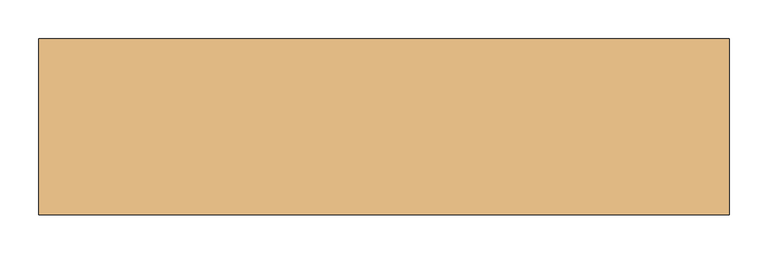
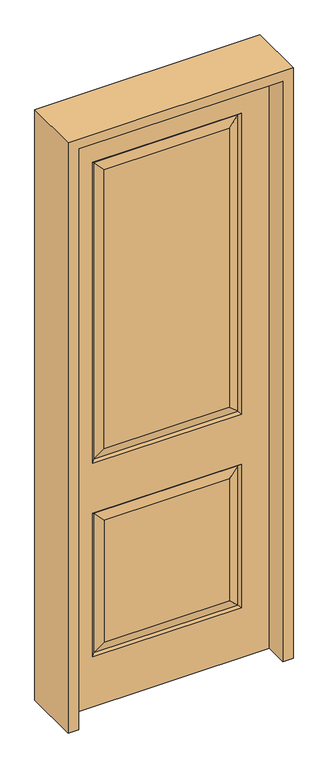
"""IFC4 building model written with IfcOpenShell, lengths in millimetres: door geometry."""

from ifc_helpers import new_model, si_unit, frame, origin, place, context, project, spatial, polyline, outline, extrude, faceted_brep, source, transform, mapped, element, save


def door_38529d44(model_context):
    return source(origin(), model_context, "Body", "SolidModel", [
        faceted_brep([(-286.2947439, -11.6572439, 218.5302561), (-249.2375, -20.6375, 255.5875), (-249.2375, -20.6375, 766.7625), (-286.2947439, -11.6572439, 803.8197439), (286.2947439, 11.6572439, 803.8197439), (-286.2947439, 11.6572439, 803.8197439), (-295.275, 20.6375, 812.8), (295.275, 20.6375, 812.8), (-286.2947439, 11.6572439, 218.5302561), (-295.275, 20.6375, 209.55), (286.2947439, 11.6572439, 218.5302561), (295.275, 20.6375, 209.55), (286.2947439, -11.6572439, 1031.3302561), (-286.2947439, -11.6572439, 1031.3302561), (-295.275, -20.6375, 1022.35), (295.275, -20.6375, 1022.35), (-286.2947439, -11.6572439, 2277.0197439), (-295.275, -20.6375, 2286.0), (295.275, -20.6375, 2286.0), (286.2947439, -11.6572439, 2277.0197439), (249.2375, -20.6375, 1068.3875), (-249.2375, -20.6375, 1068.3875), (-295.275, -20.6375, 812.8), (286.2947439, -11.6572439, 803.8197439), (295.275, -20.6375, 812.8), (406.4, 20.6375, 0.0), (406.4, -20.6375, 0.0), (-406.4, -20.6375, 0.0), (-406.4, 20.6375, 0.0), (406.4, 20.6375, 2438.4), (406.4, -20.6375, 2438.4), (249.2375, -20.6375, 255.5875), (249.2375, -20.6375, 766.7625), (249.2375, -20.6375, 2239.9625), (-249.2375, -20.6375, 2239.9625), (-406.4, -20.6375, 2438.4), (295.275, -20.6375, 209.55), (-295.275, -20.6375, 209.55), (-406.4, 20.6375, 2438.4), (-249.2375, 20.6375, 766.7625), (249.2375, 20.6375, 766.7625), (249.2375, 20.6375, 255.5875), (-249.2375, 20.6375, 255.5875), (-249.2375, 20.6375, 2239.9625), (249.2375, 20.6375, 2239.9625), (249.2375, 20.6375, 1068.3875), (-249.2375, 20.6375, 1068.3875), (295.275, 20.6375, 2286.0), (-295.275, 20.6375, 2286.0), (-295.275, 20.6375, 1022.35), (295.275, 20.6375, 1022.35), (-286.2947439, 11.6572439, 2277.0197439), (-286.2947439, 11.6572439, 1031.3302561), (286.2947439, 11.6572439, 1031.3302561), (286.2947439, 11.6572439, 2277.0197439), (286.2947439, -11.6572439, 218.5302561)], [[[0, 1, 2, 3]], [[4, 5, 6, 7]], [[6, 5, 8, 9]], [[9, 8, 10, 11]], [[12, 13, 14, 15]], [[14, 13, 16, 17]], [[12, 15, 18, 19]], [[13, 12, 20, 21]], [[22, 3, 23, 24]], [[25, 26, 27, 28]], [[29, 30, 26, 25]], [[1, 31, 32, 2]], [[21, 20, 33, 34]], [[30, 35, 27, 26], [15, 14, 17, 18], [36, 37, 22, 24]], [[3, 2, 32, 23]], [[35, 38, 28, 27]], [[39, 40, 41, 42]], [[43, 44, 45, 46]], [[38, 29, 25, 28], [7, 6, 9, 11], [47, 48, 49, 50]], [[48, 51, 52, 49]], [[49, 52, 53, 50]], [[54, 47, 50, 53]], [[44, 54, 53, 45]], [[52, 46, 45, 53]], [[51, 43, 46, 52]], [[4, 7, 11, 10]], [[5, 4, 40, 39]], [[40, 4, 10, 41]], [[8, 42, 41, 10]], [[5, 39, 42, 8]], [[20, 12, 19, 33]], [[13, 21, 34, 16]], [[55, 0, 37, 36]], [[37, 0, 3, 22]], [[55, 36, 24, 23]], [[0, 55, 31, 1]], [[31, 55, 23, 32]], [[29, 38, 35, 30]], [[17, 16, 19, 18]], [[16, 34, 33, 19]], [[54, 51, 48, 47]], [[51, 54, 44, 43]]]),
        extrude(outline(polyline([(2479.675, -447.675), (0.0, -447.675), (0.0, -406.4), (2438.4, -406.4), (2438.4, 406.4), (0.0, 406.4), (0.0, 447.675), (2479.675, 447.675), (2479.675, -447.675)])), frame((0.0, -114.3, 0.0), z_axis=(0.0, 1.0, 0.0), x_axis=(0.0, 0.0, 1.0)), (0.0, 0.0, 1.0), 228.6),
    ])


if __name__ == "__main__":
    model = new_model("IFC4")
    model_context = context("Model", 3, world=origin())
    ifc_project = project(units=[si_unit("LENGTHUNIT", "METRE", prefix="MILLI")], contexts=[model_context])
    site = spatial("IfcSite", under=ifc_project)
    building = spatial("IfcBuilding", under=site)
    placement = place(None, origin())
    door_shape = door_38529d44(model_context)
    element("IfcDoor", 1, at=placement, inside=building, context=model_context, shape_type="MappedRepresentation", body=[
        mapped(door_shape, transform((0.0, 0.0, 0.0), x_axis=(1.0, 0.0, 0.0), y_axis=(0.0, 1.0, 0.0), z_axis=(0.0, 0.0, 1.0))),
    ])
    save(model, "model.ifc")
